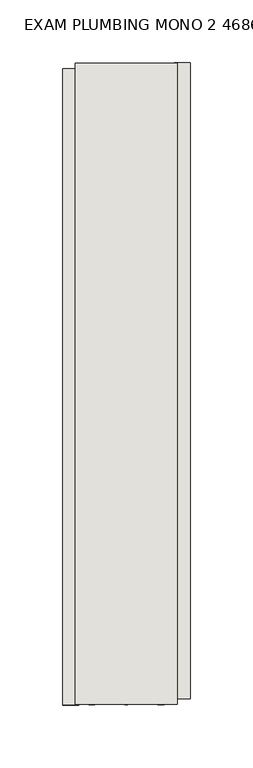
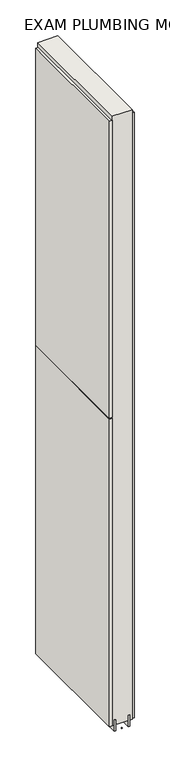
"""IFC4 building model written with IfcOpenShell, lengths in millimetres: wall geometry, EXAM PLUMBING MONO 2 468631 : EXAM PLUMBING MONO 2 468631."""

from ifc_helpers import new_model, si_unit, frame, origin, place, context, project, spatial, polyline, outline, extrude, source, transform, mapped, element, save


def exam_plumbing_mono_2_468631_exam_plumbing_mono_2_468631_6aa461f1(model_context):
    return source(origin(), model_context, "Body", "SweptSolid", [
        extrude(outline(polyline([(64721.142211, -54609.1553992), (64721.142211, -54606.6153992), (64723.682211, -54606.6153992), (64723.682211, -54609.1553992), (64721.142211, -54609.1553992)])), frame((0.0, 0.0, 4419.6), z_axis=(0.0, 0.0, 1.0), x_axis=(1.0, 0.0, 0.0)), (0.0, 0.0, 1.0), 2.54),
        extrude(outline(polyline([(64773.212211, -54097.513598), (64773.212211, -54604.6885552), (64760.512211, -54604.6885552), (64760.512211, -54097.513598), (64773.212211, -54097.513598)])), frame((0.0, 0.0, 4445.0), z_axis=(0.0, 0.0, 1.0), x_axis=(1.0, 0.0, 0.0)), (0.0, 0.0, 1.0), 2545.0498756),
        extrude(outline(polyline([(64671.612211, -54609.6246896), (64671.612211, -54102.4497324), (64684.312211, -54102.4497324), (64684.312211, -54609.6246896), (64671.612211, -54609.6246896)])), frame((0.0, 0.0, 4445.0), z_axis=(0.0, 0.0, 1.0), x_axis=(1.0, 0.0, 0.0)), (0.0, 0.0, 1.0), 1293.400004),
        extrude(outline(polyline([(64671.612211, -54609.6246896), (64671.612211, -54102.4497324), (64684.312211, -54102.4497324), (64684.312211, -54609.6246896), (64671.612211, -54609.6246896)])), frame((0.0, 0.0, 5742.4000722), z_axis=(0.0, 0.0, 1.0), x_axis=(1.0, 0.0, 0.0)), (0.0, 0.0, 1.0), 1247.649905),
        extrude(outline(polyline([(64747.4959556, -54609.1628414), (64747.4959556, -54097.9878414), (64752.574711, -54097.9878414), (64752.574711, -54609.1628414), (64747.4959556, -54609.1628414)])), frame((0.0, 0.0, 4418.6602), z_axis=(0.0, 0.0, 1.0), x_axis=(1.0, 0.0, 0.0)), (0.0, 0.0, 1.0), 47.625),
        extrude(outline(polyline([(64747.4959556, -54609.1628414), (64747.4959556, -54097.9878414), (64752.574711, -54097.9878414), (64752.574711, -54609.1628414), (64747.4959556, -54609.1628414)])), frame((0.0, 0.0, 4418.6602), z_axis=(0.0, 0.0, 1.0), x_axis=(1.0, 0.0, 0.0)), (0.0, 0.0, 1.0), 47.625),
        extrude(outline(polyline([(64697.3284664, -54097.9878414), (64697.3284664, -54609.1628414), (64692.249711, -54609.1628414), (64692.249711, -54097.9878414), (64697.3284664, -54097.9878414)])), frame((0.0, 0.0, 4418.6602), z_axis=(0.0, 0.0, 1.0), x_axis=(1.0, 0.0, 0.0)), (0.0, 0.0, 1.0), 47.625),
        extrude(outline(polyline([(64697.3284664, -54097.9878414), (64697.3284664, -54609.1628414), (64692.249711, -54609.1628414), (64692.249711, -54097.9878414), (64697.3284664, -54097.9878414)])), frame((0.0, 0.0, 4418.6602), z_axis=(0.0, 0.0, 1.0), x_axis=(1.0, 0.0, 0.0)), (0.0, 0.0, 1.0), 47.625),
        extrude(outline(polyline([(64763.0670954, -54609.1628414), (64681.7573266, -54609.1628414), (64681.7573266, -54097.9878414), (64763.0670954, -54097.9878414), (64763.0670954, -54609.1628414)])), frame((0.0, 0.0, 4445.0), z_axis=(0.0, 0.0, 1.0), x_axis=(1.0, 0.0, 0.0)), (0.0, 0.0, 1.0), 2562.4536762),
    ])


if __name__ == "__main__":
    model = new_model("IFC4")
    model_context = context("Model", 3, world=origin())
    ifc_project = project(units=[si_unit("LENGTHUNIT", "METRE", prefix="MILLI")], contexts=[model_context])
    site = spatial("IfcSite", under=ifc_project)
    building = spatial("IfcBuilding", under=site)
    placement = place(None, origin())
    exam_plumbing_mono_2_468631_exam_plumbing_mono_2_468631_shape = exam_plumbing_mono_2_468631_exam_plumbing_mono_2_468631_6aa461f1(model_context)
    element("IfcWall", 1, ObjectType="EXAM PLUMBING MONO 2 468631 : EXAM PLUMBING MONO 2 468631", at=placement, inside=building, context=model_context, shape_type="MappedRepresentation", body=[
        mapped(exam_plumbing_mono_2_468631_exam_plumbing_mono_2_468631_shape, transform((0.0, 0.0, 0.0), x_axis=(1.0, 0.0, 0.0), y_axis=(0.0, 1.0, 0.0), z_axis=(0.0, 0.0, 1.0))),
    ])
    save(model, "model.ifc")
